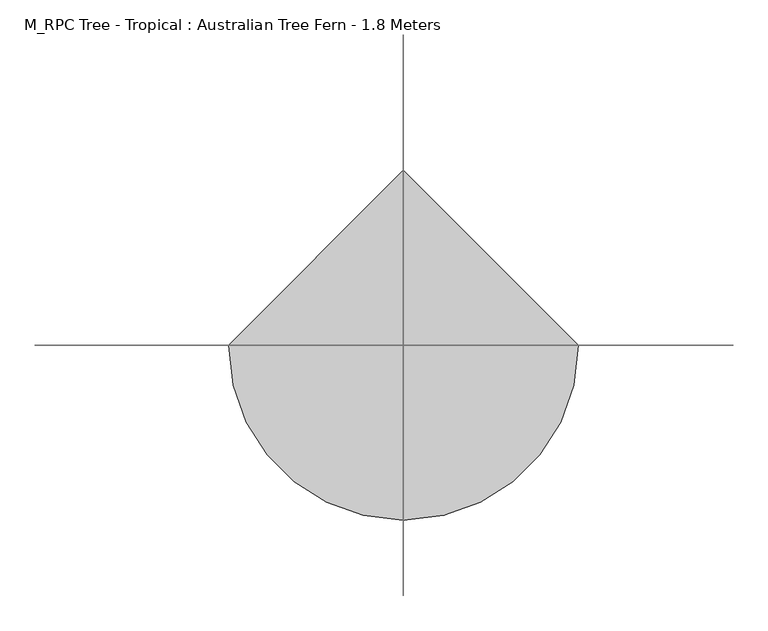
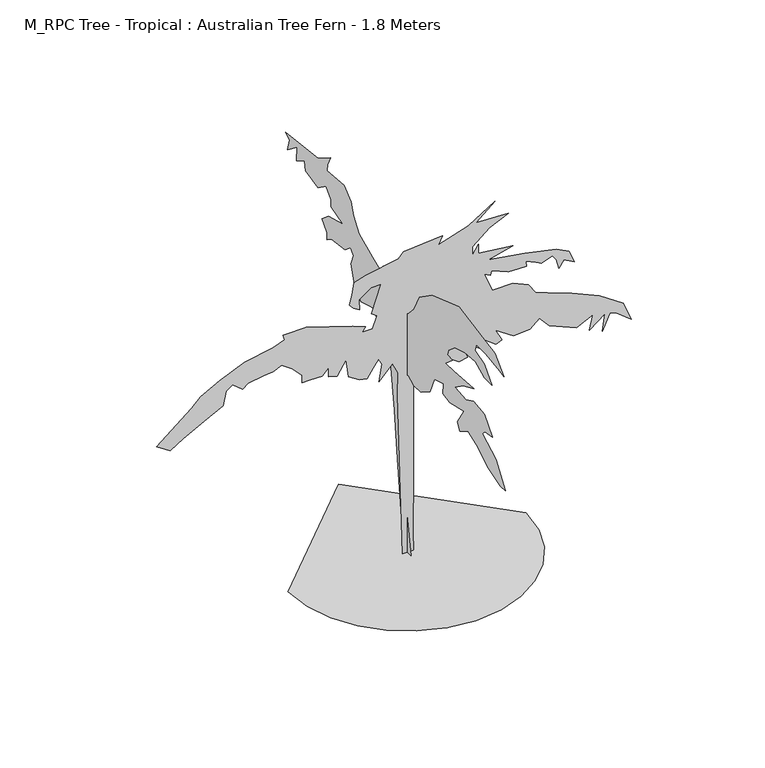
"""IFC4 building model written with IfcOpenShell, lengths in millimetres: geographic element geometry, M_RPC Tree - Tropical : Australian Tree Fern - 1.8 Meters."""

from ifc_helpers import new_model, si_unit, origin, place, context, project, spatial, triangles, source, transform, mapped, element, save


def m_rpc_tree_tropical_australian_tree_fern_1_8_meters_0203a3dd(model_context):
    return source(origin(), model_context, "Body", "Tessellation", [
        triangles([(-628.7763731, 0.0, 0.0007046), (-612.1463562, -144.1188648, 0.0007046), (-564.7912525, -276.4677177, 0.0007046), (-490.4986942, -393.2578274, 0.0007046), (-393.0611461, -490.6953755, 0.0007046), (-276.2710546, -564.9879338, 0.0007046), (-143.9221926, -612.3430012, 0.0007046), (0.1966986, -628.9730181, 0.0007046), (144.3155371, -612.345472, 0.0007046), (276.6643809, -564.9879338, 0.0007046), (393.4545087, -490.6953755, 0.0007046), (490.8920568, -393.2578274, 0.0007046), (565.1846151, -276.4677177, 0.0007046), (612.5396461, -144.1188648, 0.0007046), (629.169663, 5.5e-05, 0.0007046), (0.1965886, 628.9730181, 0.0007046), (463.0895388, -3.44e-05, 1800.0014671), (362.9519737, -2.93e-05, 1714.1689156), (534.6171132, -2.89e-05, 1707.0162998), (434.4795118, -2.61e-05, 1660.5237888), (345.0694533, -2.17e-05, 1585.4212509), (345.0694533, -1.89e-05, 1538.9287399), (377.2569872, -2.19e-05, 1588.9963234), (377.2569872, -1.89e-05, 1538.9287399), (559.6521403, -1.76e-05, 1517.4711834), (430.9020412, -1.57e-05, 1485.2837585), (624.0246283, -1.38e-05, 1453.0961884), (788.537261, -1.16e-05, 1417.333691), (856.4873285, -9.5e-06, 1381.5685776), (885.0973555, -5.5e-06, 1313.6185101), (827.8773016, -7.4e-06, 1345.8060802), (802.8422745, -5e-06, 1306.4660397), (788.537261, -8.2e-06, 1360.111021), (767.0797771, -9.9e-06, 1388.721048), (709.8571798, -8.7e-06, 1367.2636368), (681.2472256, -9.5e-06, 1381.5685776), (627.6021715, -1.1e-05, 1406.6036774), (631.1771713, -9.3e-06, 1377.9936504), (588.2621673, -9.3e-06, 1377.9936504), (534.6171132, -9.5e-06, 1381.5685776), (445.2095255, -1.16e-05, 1417.333691), (441.6320186, -1.01e-05, 1392.2985912), (409.444521, -1.12e-05, 1410.1810753), (452.3620322, -5e-06, 1306.4660397), (559.6521403, -5e-06, 1306.4660397), (641.907185, -2.9e-06, 1270.7035423), (677.6696823, 3e-07, 1217.0584883), (742.04475, 1.8e-06, 1192.0234612), (870.792342, 4.8e-06, 1141.9534069), (1017.4224907, 8.6e-06, 1077.5808826), (1142.5950829, 1.37e-05, 991.7482584), (1185.5101233, 1.99e-05, 888.0332228), (1103.2550423, 1.61e-05, 952.4082905), (1071.0674721, 1.56e-05, 959.5607609), (1031.7275042, 2.08e-05, 873.7282093), (1046.0325176, 1.52e-05, 966.7133039), (963.7774366, 1.91e-05, 902.340707), (981.6599207, 1.42e-05, 984.595788), (895.8273691, 1.67e-05, 941.6782768), (752.7747637, 1.31e-05, 1002.4782721), (699.1297096, 9.5e-06, 1063.2758692), (649.0596554, 1.2e-05, 1020.3582853), (563.2271401, 1.24e-05, 1013.2058149), (466.6670457, 8.6e-06, 1077.5808826), (502.4295794, 1.24e-05, 1013.2058149), (470.2420455, 1.33e-05, 998.9008015), (320.0369333, 6.5e-06, 1113.34338), (413.022028, 1.42e-05, 984.595788), (280.6968927, 8.6e-06, 1077.5808826), (320.0369333, 1.46e-05, 977.4433176), (273.544386, 1.5e-05, 970.2907745), (187.7115619, 1.14e-05, 1031.088299), (87.5742421, 9.5e-06, 1063.2758692), (191.2880696, 1.5e-05, 970.2907745), (30.352694, 1.1e-05, 1038.2408421), (33.9289474, 1.54e-05, 963.1383041), (33.9289474, 3.27e-05, 673.4530066), (33.9289474, 4.76e-05, 423.1103293), (30.352694, 6.66e-05, 104.8153318), (33.9289474, 7.24e-05, 0.0013067), (-23.2925485, 7.27e-05, 0.0006893), (-51.903368, 1.95e-05, 895.1882366), (-48.3268649, 1.2e-05, 1020.3582853), (-76.9376367, 8.4e-06, 1081.1558825), (-148.4644481, 1.29e-05, 1006.0532719), (-134.1591893, 7.3e-06, 1099.0383665), (-152.0409467, 5.4e-06, 1131.2259367), (-180.6514732, 7.8e-06, 1091.8858961), (-212.8384984, 1.05e-05, 1045.3933125), (-252.178539, 1.01e-05, 1052.5458555), (-309.4010636, 8e-06, 1088.3083529), (-323.7060771, 2e-06, 1188.4459179), (-370.1986244, 6.5e-06, 1113.34338), (-416.6911354, 5.6e-06, 1127.6483934), (-416.6911354, 2.6e-06, 1177.7184477), (-448.8761621, 4.8e-06, 1141.9534069), (-509.6737229, 4.8e-06, 1141.9534069), (-556.1662703, 4.8e-06, 1141.9534069), (-556.1662703, 2.2e-06, 1184.8709181), (-609.8138678, -1e-06, 1238.5159721), (-663.4563784, -3.3e-06, 1277.8560127), (-709.9488894, -2e-06, 1256.3984562), (-760.0189436, -1.8e-06, 1252.8210583), (-842.2740246, -1e-06, 1238.5159721), (-870.8865223, 3e-07, 1217.0584883), (-924.5315763, -2.3e-06, 1259.9735287), (-956.7166031, -8e-07, 1234.9384289), (-974.5991598, 3.7e-06, 1159.8359636), (-1074.7367249, 6.7e-06, 1109.7683802), (-1185.6043036, 1.03e-05, 1048.9708557), (-1253.5542984, 1.29e-05, 1006.0532719), (-1325.0819092, 1.01e-05, 1052.5458555), (-1139.1117926, 1.2e-06, 1202.7534748), (-1092.6192089, -1.8e-06, 1252.8210583), (-992.4816439, -5e-06, 1306.4660397), (-860.1565086, -8.4e-06, 1363.6885643), (-709.9488894, -1.01e-05, 1392.2985912), (-649.1513649, -1.14e-05, 1413.7561478), (-656.303908, -1.31e-05, 1442.3661747), (-531.1337502, -1.31e-05, 1442.3661747), (-409.5361579, -1.08e-05, 1403.0286049), (-287.9410727, -8.4e-06, 1363.6885643), (-219.9912595, -6.9e-06, 1338.6536098), (-237.873035, -5.5e-06, 1313.6185101), (-184.2277266, -5.5e-06, 1313.6185101), (-159.1934625, -9.3e-06, 1377.9936504), (-187.8042343, -1.06e-05, 1399.4510616), (-137.7354336, -1.93e-05, 1546.0812103), (-191.3804877, -1.93e-05, 1546.0812103), (-255.7535388, -1.65e-05, 1499.5886993), (-252.178539, -1.31e-05, 1442.3661747), (-284.3660728, -1.44e-05, 1463.826202), (-305.8235567, -1.59e-05, 1488.8586857), (-291.5185614, -1.91e-05, 1542.5036671), (-280.7885659, -2.27e-05, 1603.303735), (-216.4150061, -2.4e-05, 1624.7612915), (-44.7506115, -2.59e-05, 1656.9488617), (-19.7161203, -2.76e-05, 1685.5588886), (187.7115619, -2.87e-05, 1703.4413727), (166.2535512, -2.61e-05, 1660.5237888), (323.6119331, -2.91e-05, 1710.5938431), (0.1967009, -848.2856489, 1525.4262211), (0.1966947, -721.9905962, 1545.7961987), (0.1966909, -636.4380421, 1545.7961987), (0.1966914, -620.1404903, 1505.0562435), (0.1966961, -709.7680864, 1480.611224), (0.1967013, -774.9531338, 1403.206065), (0.1966982, -705.6955879, 1403.206065), (0.1966934, -624.2155323, 1443.9461655), (0.1966894, -530.5129306, 1435.7960815), (0.1966861, -436.812836, 1407.2786362), (0.196685, -379.7777999, 1358.3910679), (0.1966854, -367.5552901, 1325.7985806), (0.1966876, -416.4428221, 1325.7985806), (0.1966864, -351.2577747, 1268.7635445), (0.1966897, -428.6653318, 1272.8385864), (0.1966975, -611.9930225, 1285.0610962), (0.1966943, -510.1429167, 1240.2459538), (0.1966926, -436.812836, 1187.2834162), (0.1966974, -538.6629418, 1179.1359484), (0.1966995, -607.9204877, 1211.7284357), (0.1967043, -705.6955879, 1199.5059259), (0.1967102, -783.1006016, 1118.0258703), (0.1967074, -713.8430557, 1105.805904), (0.1967071, -689.4005796, 1081.3608845), (0.1967146, -811.6181196, 1012.1033386), (0.1967223, -901.2457157, 889.8831825), (0.1967202, -852.3581474, 885.810684), (0.1967138, -734.213106, 922.4757425), (0.1967074, -632.3630001, 983.5858206), (0.1967032, -559.0329557, 1016.1783079), (0.1967012, -481.6253986, 967.2882689), (0.1966991, -461.2553847, 1008.0282967), (0.1966989, -522.3654264, 1105.805904), (0.196694, -391.9978025, 1073.213344), (0.1966907, -326.8152623, 1085.4358538), (0.1966892, -330.8877608, 1142.4708899), (0.1966863, -249.4091949, 1118.0258703), (0.1966873, -208.6694215, 1024.3258484), (0.1966852, -127.189602, 971.3633108), (0.1966824, -62.006049, 967.2882689), (0.1966794, -13.1181855, 995.8083303), (0.1966778, 31.6955263, 983.5858206), (0.1966755, 52.0655402, 1028.3983469), (0.1966759, 80.5833171, 971.3633108), (0.1966779, 84.6573144, 898.030723), (0.1966865, 56.1395466, 653.5930269), (0.1966983, 19.473666, 311.3777598), (0.1967098, -33.4880268, 0.0007036), (0.1967069, 35.7695282, 0.0), (0.1967013, 52.0655402, 164.7148733), (0.1966905, 88.7315752, 470.2628654), (0.1966817, 117.2490932, 722.8505728), (0.1966725, 153.9151146, 975.4382801), (0.1966664, 206.8769073, 1101.730862), (0.1966639, 263.9127065, 1101.730862), (0.1966599, 300.5777468, 1179.1359484), (0.1966575, 365.762776, 1162.8409401), (0.1966555, 422.7978484, 1142.4708899), (0.196651, 483.9078901, 1203.5809679), (0.1966468, 512.4254082, 1301.3560318), (0.196646, 492.0553943, 1358.3910679), (0.1966439, 520.5729123, 1386.9086586), (0.1966429, 569.4604443, 1346.1685581), (0.1966379, 691.6805277, 1329.8736225), (0.196637, 732.4205555, 1301.3560318), (0.1966357, 732.4205555, 1342.0961323), (0.1966321, 781.3081238, 1390.9835552), (0.1966334, 720.1980457, 1439.8711235), (0.1966381, 589.8304582, 1476.536182), (0.1966324, 695.7555696, 1509.1286694), (0.1966311, 699.8280682, 1545.7961987), (0.1966277, 744.6430653, 1594.6837669), (0.196626, 817.9731823, 1541.721302), (0.1966201, 932.0457253, 1566.1637054), (0.1966183, 940.1932657, 1615.0537445), (0.1966162, 1013.5257809, 1574.3137894), (0.1966141, 1009.4508116, 1651.718803), (0.1966123, 1095.0059092, 1586.5338284), (0.1966112, 1078.7083574, 1647.6437611), (0.1966088, 1115.3758867, 1672.0887806), (0.1966211, 817.9731823, 1704.6814133), (0.196624, 703.9030375, 1778.011385), (0.1966245, 728.3455862, 1725.0513908), (0.1966254, 736.4955975, 1684.3112904), (0.196632, 577.6079484, 1700.6063713), (0.1966365, 512.4254082, 1647.6437611), (0.1966393, 492.0553943, 1582.4612572), (0.1966437, 439.0928567, 1513.2037113), (0.1966509, 316.875244, 1456.1662045), (0.1966608, 141.6931136, 1386.9086586), (0.1966549, 223.1726787, 1464.316143), (0.1966615, 113.1750868, 1407.2786362), (0.1966689, -0.8962257, 1329.8736225), (0.1966697, -62.006049, 1395.0585972), (0.1966689, -110.8938398, 1492.8337337), (0.1966718, -229.039181, 1574.3137894), (0.1966802, -473.4778945, 1659.8662708), (0.196691, -689.4005796, 1619.1263157), (0.1966968, -803.4706518, 1598.7563381), (0.1967028, -884.9507074, 1517.2762825)], [[15, 16, 1], [14, 15, 1], [14, 1, 2], [13, 14, 2], [13, 2, 3], [13, 3, 4], [12, 13, 4], [11, 12, 4], [11, 4, 5], [11, 5, 6], [11, 6, 7], [11, 7, 8], [11, 8, 9], [11, 9, 10], [141, 17, 18], [54, 55, 56], [73, 74, 75], [67, 68, 69], [24, 25, 26], [18, 19, 20], [51, 52, 53], [22, 23, 24], [84, 85, 86], [29, 30, 31], [56, 57, 58], [31, 32, 33], [130, 131, 132], [138, 139, 140], [41, 42, 43], [111, 112, 113], [110, 111, 113], [109, 110, 113], [122, 123, 124], [118, 119, 120], [18, 20, 21], [141, 18, 21], [69, 70, 71], [69, 71, 72], [28, 29, 31], [28, 31, 33], [28, 33, 34], [27, 28, 34], [27, 34, 35], [27, 35, 36], [27, 36, 37], [130, 132, 133], [130, 133, 134], [50, 51, 53], [50, 53, 54], [50, 54, 56], [50, 56, 58], [140, 141, 21], [37, 38, 39], [64, 65, 66], [64, 66, 67], [80, 81, 82], [79, 80, 82], [78, 79, 82], [77, 78, 82], [76, 77, 82], [76, 82, 83], [75, 76, 83], [97, 98, 99], [49, 50, 58], [49, 58, 59], [49, 59, 60], [48, 49, 60], [48, 60, 61], [47, 48, 61], [129, 130, 134], [129, 134, 135], [129, 135, 136], [129, 136, 137], [128, 129, 137], [108, 109, 113], [108, 113, 114], [107, 108, 114], [107, 114, 115], [106, 107, 115], [106, 115, 116], [105, 106, 116], [104, 105, 116], [103, 104, 116], [103, 116, 117], [102, 103, 117], [101, 102, 117], [101, 117, 118], [75, 83, 84], [26, 27, 37], [26, 37, 39], [26, 39, 40], [26, 40, 41], [26, 41, 43], [92, 93, 94], [92, 94, 95], [126, 127, 128], [101, 118, 120], [100, 101, 120], [100, 120, 121], [99, 100, 121], [97, 99, 121], [96, 97, 121], [95, 96, 121], [95, 121, 122], [92, 95, 122], [92, 122, 124], [140, 21, 22], [88, 89, 90], [24, 26, 43], [22, 24, 43], [88, 90, 91], [88, 91, 92], [88, 92, 124], [87, 88, 124], [87, 124, 125], [47, 61, 62], [47, 62, 63], [47, 63, 64], [46, 47, 64], [45, 46, 64], [44, 45, 64], [44, 64, 67], [43, 44, 67], [137, 138, 140], [128, 137, 140], [126, 128, 140], [126, 140, 22], [126, 22, 43], [126, 43, 67], [126, 67, 69], [126, 69, 72], [126, 72, 73], [125, 126, 73], [87, 125, 73], [87, 73, 75], [87, 75, 84], [87, 84, 86], [231, 232, 233], [156, 157, 158], [240, 241, 142], [222, 223, 224], [218, 219, 220], [220, 221, 222], [218, 220, 222], [153, 154, 155], [240, 142, 143], [239, 240, 143], [146, 147, 148], [205, 206, 207], [162, 163, 164], [156, 158, 159], [216, 217, 218], [216, 218, 222], [166, 167, 168], [166, 168, 169], [222, 224, 225], [239, 143, 144], [238, 239, 144], [146, 148, 149], [145, 146, 149], [165, 166, 169], [165, 169, 170], [207, 208, 209], [188, 189, 190], [188, 190, 191], [188, 191, 192], [187, 188, 192], [187, 192, 193], [186, 187, 193], [186, 193, 194], [185, 186, 194], [171, 172, 173], [171, 173, 174], [145, 149, 150], [155, 156, 159], [165, 170, 171], [165, 171, 174], [175, 176, 177], [182, 183, 184], [205, 207, 209], [205, 209, 210], [204, 205, 210], [203, 204, 210], [161, 162, 164], [161, 164, 165], [161, 165, 174], [160, 161, 174], [159, 160, 174], [159, 174, 175], [159, 175, 177], [155, 159, 177], [238, 144, 145], [238, 145, 150], [237, 238, 150], [237, 150, 151], [237, 151, 152], [236, 237, 152], [235, 236, 152], [235, 152, 153], [235, 153, 155], [235, 155, 177], [235, 177, 178], [234, 235, 178], [234, 178, 179], [234, 179, 180], [234, 180, 181], [234, 181, 182], [234, 182, 184], [231, 233, 234], [231, 234, 184], [214, 215, 216], [214, 216, 222], [213, 214, 222], [213, 222, 225], [213, 225, 226], [212, 213, 226], [212, 226, 227], [212, 227, 228], [211, 212, 228], [210, 211, 228], [210, 228, 229], [203, 210, 229], [203, 229, 230], [202, 203, 230], [184, 185, 194], [184, 194, 195], [231, 184, 195], [230, 231, 195], [230, 195, 196], [230, 196, 197], [202, 230, 197], [202, 197, 198], [201, 202, 198], [200, 201, 198], [199, 200, 198]], closed=False),
    ])


if __name__ == "__main__":
    model = new_model("IFC4")
    model_context = context("Model", 3, world=origin())
    ifc_project = project(units=[si_unit("LENGTHUNIT", "METRE", prefix="MILLI")], contexts=[model_context])
    site = spatial("IfcSite", under=ifc_project)
    building = spatial("IfcBuilding", under=site)
    placement = place(None, origin())
    m_rpc_tree_tropical_australian_tree_fern_1_8_meters_shape = m_rpc_tree_tropical_australian_tree_fern_1_8_meters_0203a3dd(model_context)
    element("IfcGeographicElement", 1, ObjectType="M_RPC Tree - Tropical : Australian Tree Fern - 1.8 Meters", at=placement, inside=building, context=model_context, shape_type="MappedRepresentation", body=[
        mapped(m_rpc_tree_tropical_australian_tree_fern_1_8_meters_shape, transform((0.0, 0.0, 0.0), x_axis=(1.0, 0.0, 0.0), y_axis=(0.0, 1.0, 0.0), z_axis=(0.0, 0.0, 1.0))),
    ])
    save(model, "model.ifc")
